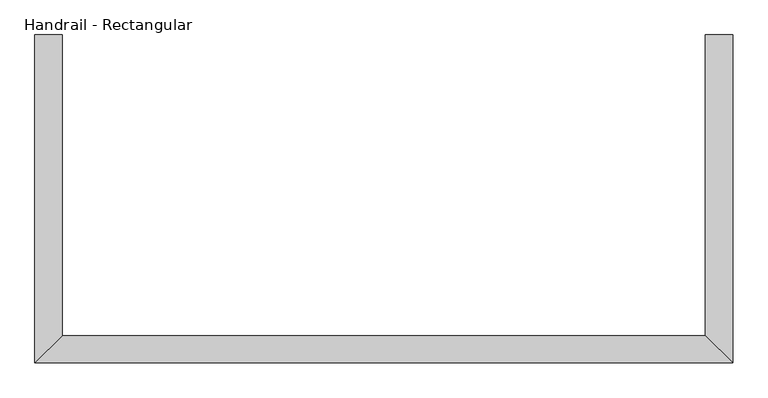
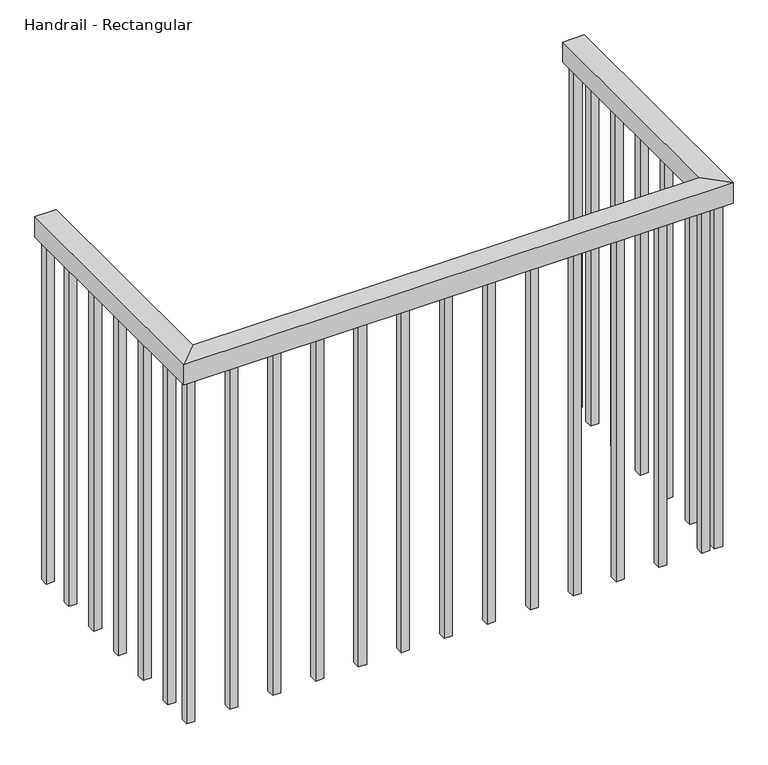
"""IFC4 building model written with IfcOpenShell, lengths in millimetres: railing geometry, Handrail - Rectangular."""

from ifc_helpers import new_model, si_unit, frame, origin, place, context, project, spatial, polyline, outline, extrude, faceted_brep, source, transform, mapped, element, save


def handrail_rectangular_2ba8d032(model_context):
    return source(origin(), model_context, "Body", "SolidModel", [
        faceted_brep([(1357.2044014, -487.0313166, 4404.4), (1408.0044014, -487.0313166, 4404.4), (1408.0044014, -487.0313166, 4353.6), (1357.2044014, -487.0313166, 4353.6), (1357.2044014, -1097.8313166, 4404.4), (1408.0044014, -1047.0313166, 4404.4), (1408.0044014, -1047.0313166, 4353.6), (1357.2044014, -1097.8313166, 4353.6), (2657.0044014, -1097.8313166, 4404.4), (2606.2044014, -1047.0313166, 4404.4), (2606.2044014, -1047.0313166, 4353.6), (2657.0044014, -1097.8313166, 4353.6), (2657.0044014, -487.0313166, 4404.4), (2657.0044014, -487.0313166, 4353.6), (2606.2044014, -487.0313166, 4353.6), (2606.2044014, -487.0313166, 4404.4)], [[[0, 1, 2, 3]], [[1, 0, 4, 5]], [[2, 1, 5, 6]], [[3, 2, 6, 7]], [[0, 3, 7, 4]], [[5, 4, 8, 9]], [[6, 5, 9, 10]], [[7, 6, 10, 11]], [[4, 7, 11, 8]], [[12, 13, 14, 15]], [[9, 8, 12, 15]], [[10, 9, 15, 14]], [[11, 10, 14, 13]], [[8, 11, 13, 12]]]),
        extrude(outline(polyline([(2641.1294014, -573.9563166), (2622.0794014, -573.9563166), (2622.0794014, -554.9063166), (2641.1294014, -554.9063166), (2641.1294014, -573.9563166)])), frame((0.0, 0.0, 3490.0), z_axis=(0.0, 0.0, 1.0), x_axis=(1.0, 0.0, 0.0)), (0.0, 0.0, 1.0), 863.6),
        extrude(outline(polyline([(2641.1294014, -675.5563166), (2622.0794014, -675.5563166), (2622.0794014, -656.5063166), (2641.1294014, -656.5063166), (2641.1294014, -675.5563166)])), frame((0.0, 0.0, 3490.0), z_axis=(0.0, 0.0, 1.0), x_axis=(1.0, 0.0, 0.0)), (0.0, 0.0, 1.0), 863.6),
        extrude(outline(polyline([(2641.1294014, -777.1563166), (2622.0794014, -777.1563166), (2622.0794014, -758.1063166), (2641.1294014, -758.1063166), (2641.1294014, -777.1563166)])), frame((0.0, 0.0, 3490.0), z_axis=(0.0, 0.0, 1.0), x_axis=(1.0, 0.0, 0.0)), (0.0, 0.0, 1.0), 863.6),
        extrude(outline(polyline([(2641.1294014, -878.7563166), (2622.0794014, -878.7563166), (2622.0794014, -859.7063166), (2641.1294014, -859.7063166), (2641.1294014, -878.7563166)])), frame((0.0, 0.0, 3490.0), z_axis=(0.0, 0.0, 1.0), x_axis=(1.0, 0.0, 0.0)), (0.0, 0.0, 1.0), 863.6),
        extrude(outline(polyline([(2641.1294014, -980.3563166), (2622.0794014, -980.3563166), (2622.0794014, -961.3063166), (2641.1294014, -961.3063166), (2641.1294014, -980.3563166)])), frame((0.0, 0.0, 3490.0), z_axis=(0.0, 0.0, 1.0), x_axis=(1.0, 0.0, 0.0)), (0.0, 0.0, 1.0), 863.6),
        extrude(outline(polyline([(2592.2794014, -1081.9563166), (2592.2794014, -1062.9063166), (2611.3294014, -1062.9063166), (2611.3294014, -1081.9563166), (2592.2794014, -1081.9563166)])), frame((0.0, 0.0, 3490.0), z_axis=(0.0, 0.0, 1.0), x_axis=(1.0, 0.0, 0.0)), (0.0, 0.0, 1.0), 863.6),
        extrude(outline(polyline([(2490.6794014, -1081.9563166), (2490.6794014, -1062.9063166), (2509.7294014, -1062.9063166), (2509.7294014, -1081.9563166), (2490.6794014, -1081.9563166)])), frame((0.0, 0.0, 3490.0), z_axis=(0.0, 0.0, 1.0), x_axis=(1.0, 0.0, 0.0)), (0.0, 0.0, 1.0), 863.6),
        extrude(outline(polyline([(2389.0794014, -1081.9563166), (2389.0794014, -1062.9063166), (2408.1294014, -1062.9063166), (2408.1294014, -1081.9563166), (2389.0794014, -1081.9563166)])), frame((0.0, 0.0, 3490.0), z_axis=(0.0, 0.0, 1.0), x_axis=(1.0, 0.0, 0.0)), (0.0, 0.0, 1.0), 863.6),
        extrude(outline(polyline([(2287.4794014, -1081.9563166), (2287.4794014, -1062.9063166), (2306.5294014, -1062.9063166), (2306.5294014, -1081.9563166), (2287.4794014, -1081.9563166)])), frame((0.0, 0.0, 3490.0), z_axis=(0.0, 0.0, 1.0), x_axis=(1.0, 0.0, 0.0)), (0.0, 0.0, 1.0), 863.6),
        extrude(outline(polyline([(2185.8794014, -1081.9563166), (2185.8794014, -1062.9063166), (2204.9294014, -1062.9063166), (2204.9294014, -1081.9563166), (2185.8794014, -1081.9563166)])), frame((0.0, 0.0, 3490.0), z_axis=(0.0, 0.0, 1.0), x_axis=(1.0, 0.0, 0.0)), (0.0, 0.0, 1.0), 863.6),
        extrude(outline(polyline([(2084.2794014, -1081.9563166), (2084.2794014, -1062.9063166), (2103.3294014, -1062.9063166), (2103.3294014, -1081.9563166), (2084.2794014, -1081.9563166)])), frame((0.0, 0.0, 3490.0), z_axis=(0.0, 0.0, 1.0), x_axis=(1.0, 0.0, 0.0)), (0.0, 0.0, 1.0), 863.6),
        extrude(outline(polyline([(1982.6794014, -1081.9563166), (1982.6794014, -1062.9063166), (2001.7294014, -1062.9063166), (2001.7294014, -1081.9563166), (1982.6794014, -1081.9563166)])), frame((0.0, 0.0, 3490.0), z_axis=(0.0, 0.0, 1.0), x_axis=(1.0, 0.0, 0.0)), (0.0, 0.0, 1.0), 863.6),
        extrude(outline(polyline([(1881.0794014, -1081.9563166), (1881.0794014, -1062.9063166), (1900.1294014, -1062.9063166), (1900.1294014, -1081.9563166), (1881.0794014, -1081.9563166)])), frame((0.0, 0.0, 3490.0), z_axis=(0.0, 0.0, 1.0), x_axis=(1.0, 0.0, 0.0)), (0.0, 0.0, 1.0), 863.6),
        extrude(outline(polyline([(1779.4794014, -1081.9563166), (1779.4794014, -1062.9063166), (1798.5294014, -1062.9063166), (1798.5294014, -1081.9563166), (1779.4794014, -1081.9563166)])), frame((0.0, 0.0, 3490.0), z_axis=(0.0, 0.0, 1.0), x_axis=(1.0, 0.0, 0.0)), (0.0, 0.0, 1.0), 863.6),
        extrude(outline(polyline([(1677.8794014, -1081.9563166), (1677.8794014, -1062.9063166), (1696.9294014, -1062.9063166), (1696.9294014, -1081.9563166), (1677.8794014, -1081.9563166)])), frame((0.0, 0.0, 3490.0), z_axis=(0.0, 0.0, 1.0), x_axis=(1.0, 0.0, 0.0)), (0.0, 0.0, 1.0), 863.6),
        extrude(outline(polyline([(1576.2794014, -1081.9563166), (1576.2794014, -1062.9063166), (1595.3294014, -1062.9063166), (1595.3294014, -1081.9563166), (1576.2794014, -1081.9563166)])), frame((0.0, 0.0, 3490.0), z_axis=(0.0, 0.0, 1.0), x_axis=(1.0, 0.0, 0.0)), (0.0, 0.0, 1.0), 863.6),
        extrude(outline(polyline([(1474.6794014, -1081.9563166), (1474.6794014, -1062.9063166), (1493.7294014, -1062.9063166), (1493.7294014, -1081.9563166), (1474.6794014, -1081.9563166)])), frame((0.0, 0.0, 3490.0), z_axis=(0.0, 0.0, 1.0), x_axis=(1.0, 0.0, 0.0)), (0.0, 0.0, 1.0), 863.6),
        extrude(outline(polyline([(1373.0794014, -985.5063166), (1392.1294014, -985.5063166), (1392.1294014, -1004.5563166), (1373.0794014, -1004.5563166), (1373.0794014, -985.5063166)])), frame((0.0, 0.0, 3490.0), z_axis=(0.0, 0.0, 1.0), x_axis=(1.0, 0.0, 0.0)), (0.0, 0.0, 1.0), 863.6),
        extrude(outline(polyline([(1373.0794014, -883.9063166), (1392.1294014, -883.9063166), (1392.1294014, -902.9563166), (1373.0794014, -902.9563166), (1373.0794014, -883.9063166)])), frame((0.0, 0.0, 3490.0), z_axis=(0.0, 0.0, 1.0), x_axis=(1.0, 0.0, 0.0)), (0.0, 0.0, 1.0), 863.6),
        extrude(outline(polyline([(1373.0794014, -782.3063166), (1392.1294014, -782.3063166), (1392.1294014, -801.3563166), (1373.0794014, -801.3563166), (1373.0794014, -782.3063166)])), frame((0.0, 0.0, 3490.0), z_axis=(0.0, 0.0, 1.0), x_axis=(1.0, 0.0, 0.0)), (0.0, 0.0, 1.0), 863.6),
        extrude(outline(polyline([(1373.0794014, -680.7063166), (1392.1294014, -680.7063166), (1392.1294014, -699.7563166), (1373.0794014, -699.7563166), (1373.0794014, -680.7063166)])), frame((0.0, 0.0, 3490.0), z_axis=(0.0, 0.0, 1.0), x_axis=(1.0, 0.0, 0.0)), (0.0, 0.0, 1.0), 863.6),
        extrude(outline(polyline([(1373.0794014, -579.1063166), (1392.1294014, -579.1063166), (1392.1294014, -598.1563166), (1373.0794014, -598.1563166), (1373.0794014, -579.1063166)])), frame((0.0, 0.0, 3490.0), z_axis=(0.0, 0.0, 1.0), x_axis=(1.0, 0.0, 0.0)), (0.0, 0.0, 1.0), 863.6),
        extrude(outline(polyline([(2622.0794014, -1081.9563166), (2622.0794014, -1062.9063166), (2641.1294014, -1062.9063166), (2641.1294014, -1081.9563166), (2622.0794014, -1081.9563166)])), frame((0.0, 0.0, 3490.0), z_axis=(0.0, 0.0, 1.0), x_axis=(1.0, 0.0, 0.0)), (0.0, 0.0, 1.0), 863.6),
        extrude(outline(polyline([(1373.0794014, -1062.9063166), (1392.1294014, -1062.9063166), (1392.1294014, -1081.9563166), (1373.0794014, -1081.9563166), (1373.0794014, -1062.9063166)])), frame((0.0, 0.0, 3490.0), z_axis=(0.0, 0.0, 1.0), x_axis=(1.0, 0.0, 0.0)), (0.0, 0.0, 1.0), 863.6),
        extrude(outline(polyline([(2641.1294014, -506.0813166), (2622.0794014, -506.0813166), (2622.0794014, -487.0313166), (2641.1294014, -487.0313166), (2641.1294014, -506.0813166)])), frame((0.0, 0.0, 3490.0), z_axis=(0.0, 0.0, 1.0), x_axis=(1.0, 0.0, 0.0)), (0.0, 0.0, 1.0), 863.6),
        extrude(outline(polyline([(1373.0794014, -487.0313166), (1392.1294014, -487.0313166), (1392.1294014, -506.0813166), (1373.0794014, -506.0813166), (1373.0794014, -487.0313166)])), frame((0.0, 0.0, 3490.0), z_axis=(0.0, 0.0, 1.0), x_axis=(1.0, 0.0, 0.0)), (0.0, 0.0, 1.0), 863.6),
    ])


if __name__ == "__main__":
    model = new_model("IFC4")
    model_context = context("Model", 3, world=origin())
    ifc_project = project(units=[si_unit("LENGTHUNIT", "METRE", prefix="MILLI")], contexts=[model_context])
    site = spatial("IfcSite", under=ifc_project)
    building = spatial("IfcBuilding", under=site)
    placement = place(None, origin())
    handrail_rectangular_shape = handrail_rectangular_2ba8d032(model_context)
    element("IfcRailing", 1, ObjectType="Handrail - Rectangular", at=placement, inside=building, context=model_context, shape_type="MappedRepresentation", body=[
        mapped(handrail_rectangular_shape, transform((0.0, 0.0, 0.0), x_axis=(1.0, 0.0, 0.0), y_axis=(0.0, 1.0, 0.0), z_axis=(0.0, 0.0, 1.0))),
    ])
    save(model, "model.ifc")
